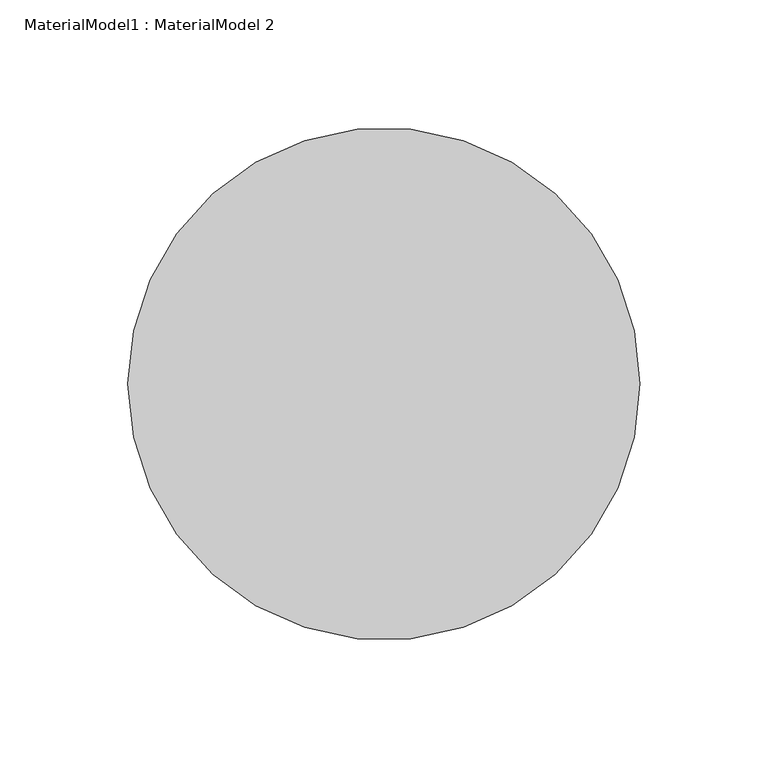
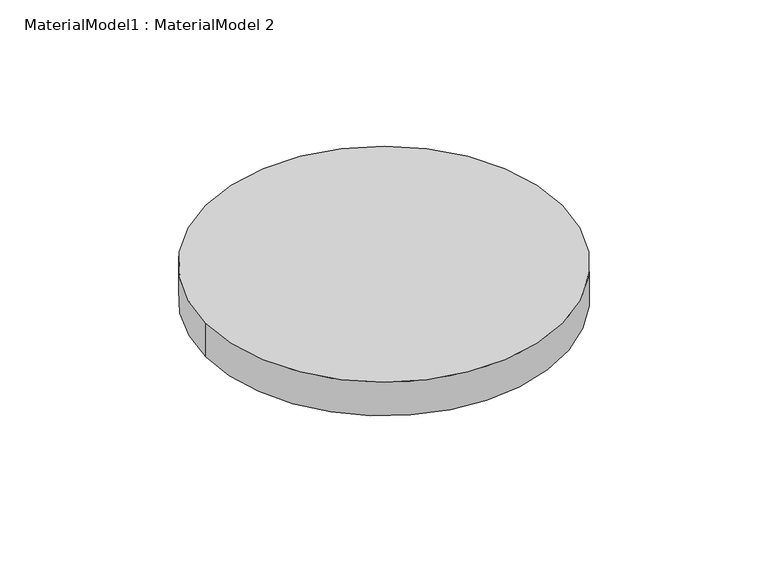
"""IFC4 building model written with IfcOpenShell, lengths in millimetres: proxy geometry, MaterialModel1 : MaterialModel 2."""

import ifcopenshell
import ifcopenshell.guid

model = None  # the IFC model being written
_history = None  # IfcOwnerHistory: only IFC2X3 demands one
_inside = {}  # id of a spatial element -> (the spatial element, [elements in it])
_under = {}  # id of a project, library or spatial element -> (it, [spatial elements below it])
_declared = {}  # id of a project -> (the project, [libraries it declares])
_typed = {}  # id of a type object -> (the type object, [elements of that type])
_made_of = {}  # id of a material, layer set ... -> (it, [elements and type objects made of it])


def new_model(schema):
    """Start an empty IFC model of exactly this schema.

    Asked for "IFC4X3", IfcOpenShell would pick the latest addendum, in which some entities
    have other attributes; the version numbers below select the first issue.
    IFC2X3 requires an IfcOwnerHistory on every rooted entity: one is made here for all.
    """
    global model, _history
    if schema == "IFC4X3":
        model = ifcopenshell.file(schema_version=(4, 3, 0, 0))
    else:
        model = ifcopenshell.file(schema=schema)
    _inside.clear()
    _under.clear()
    _declared.clear()
    _typed.clear()
    _made_of.clear()
    _history = None
    if model.schema == "IFC2X3":
        org = make("IfcOrganization", Name="unknown")
        user = make(
            "IfcPersonAndOrganization",
            ThePerson=make("IfcPerson", FamilyName="unknown"),
            TheOrganization=org,
        )
        app = make(
            "IfcApplication",
            ApplicationDeveloper=org,
            Version="unknown",
            ApplicationFullName="unknown",
            ApplicationIdentifier="unknown",
        )
        _history = make(
            "IfcOwnerHistory",
            OwningUser=user,
            OwningApplication=app,
            ChangeAction="ADDED",
            CreationDate=0,
        )
    return model


def make(cls, **values):
    """One entity of the class cls with the attributes given. An attribute that is None is left unset."""
    return model.create_entity(
        cls, **{name: value for name, value in values.items() if value is not None}
    )


def rooted(cls, **values):
    """An entity with a GlobalId (a new one), such as an element, a storey or a relation."""
    return make(cls, GlobalId=ifcopenshell.guid.new(), OwnerHistory=_history, **values)


def si_unit(unit_type, name, prefix=None):
    """IfcSIUnit, for example si_unit("LENGTHUNIT", "METRE", prefix="MILLI")."""
    return make("IfcSIUnit", UnitType=unit_type, Prefix=prefix, Name=name)


def assignment(units):
    """IfcUnitAssignment: the units of a project."""
    return None if units is None else make("IfcUnitAssignment", Units=units)


def point(xyz):
    """IfcCartesianPoint."""
    return None if xyz is None else make("IfcCartesianPoint", Coordinates=xyz)


def direction(xyz):
    """IfcDirection."""
    return None if xyz is None else make("IfcDirection", DirectionRatios=xyz)


def frame(location, z_axis=None, x_axis=None):
    """IfcAxis2Placement3D, a coordinate frame: its origin and axes. An axis left out is left unset."""
    return make(
        "IfcAxis2Placement3D",
        Location=point(location),
        Axis=direction(z_axis),
        RefDirection=direction(x_axis),
    )


def frame_2d(location, x_axis=None):
    """IfcAxis2Placement2D, a coordinate frame in the plane: its origin and x axis."""
    return make(
        "IfcAxis2Placement2D", Location=point(location), RefDirection=direction(x_axis)
    )


def origin():
    """The frame at (0, 0, 0) with its axes left unset."""
    return frame((0.0, 0.0, 0.0))


def origin_with_axes():
    """The frame at (0, 0, 0) with the z axis (0, 0, 1) and the x axis (1, 0, 0) written out."""
    return frame((0.0, 0.0, 0.0), z_axis=(0.0, 0.0, 1.0), x_axis=(1.0, 0.0, 0.0))


def origin_2d():
    """The frame at (0, 0) in the plane with its x axis left unset."""
    return frame_2d((0.0, 0.0))


def place(relative_to, where):
    """IfcLocalPlacement: puts the frame where relative to a parent placement (None: the world)."""
    return make(
        "IfcLocalPlacement", PlacementRelTo=relative_to, RelativePlacement=where
    )


def context(
    kind, dimensions, precision=None, world=None, true_north=None, identifier=None
):
    """IfcGeometricRepresentationContext, for example the 3D "Model" context."""
    return make(
        "IfcGeometricRepresentationContext",
        ContextIdentifier=identifier,
        ContextType=kind,
        CoordinateSpaceDimension=dimensions,
        Precision=precision,
        WorldCoordinateSystem=world,
        TrueNorth=true_north,
    )


def project(units=None, contexts=None):
    """IfcProject with its units and contexts."""
    return rooted(
        "IfcProject",
        Name="project",
        RepresentationContexts=contexts,
        UnitsInContext=assignment(units),
    )


def spatial(cls, under=None, at=None, **own):
    """A site, building, storey or space (cls), placed at a placement, below another one or the project."""
    s = rooted(cls, ObjectPlacement=at, **own)
    if under is not None:
        _under.setdefault(under.id(), (under, []))[1].append(s)
    return s


def circle_curve(where, radius):
    """IfcCircle in the frame where."""
    return make("IfcCircle", Position=where, Radius=radius)


def trimmed(basis, trim1, trim2, sense, master):
    """IfcTrimmedCurve: the piece of a basis curve between two trims."""
    return make(
        "IfcTrimmedCurve",
        BasisCurve=basis,
        Trim1=trim1,
        Trim2=trim2,
        SenseAgreement=sense,
        MasterRepresentation=master,
    )


def segment(curve, same_sense, transition):
    """IfcCompositeCurveSegment."""
    return make(
        "IfcCompositeCurveSegment",
        Transition=transition,
        SameSense=same_sense,
        ParentCurve=curve,
    )


def composite_curve(segments, self_intersect=None):
    """IfcCompositeCurve: segments joined end to end."""
    return make("IfcCompositeCurve", Segments=segments, SelfIntersect=self_intersect)


def outline(outer, holes=None, kind="AREA"):
    """IfcArbitraryClosedProfileDef: a profile drawn as a closed curve; with holes, ...WithVoids."""
    if holes is None:
        return make("IfcArbitraryClosedProfileDef", ProfileType=kind, OuterCurve=outer)
    return make(
        "IfcArbitraryProfileDefWithVoids",
        ProfileType=kind,
        OuterCurve=outer,
        InnerCurves=holes,
    )


def extrude(swept, where, along, depth):
    """IfcExtrudedAreaSolid: the profile swept, set in the frame where, extruded along a direction by depth."""
    return make(
        "IfcExtrudedAreaSolid",
        SweptArea=swept,
        Position=where,
        ExtrudedDirection=direction(along),
        Depth=depth,
    )


def shape(context_of_items, identifier, shape_type, items):
    """IfcShapeRepresentation: the items that make up one representation, for example the "Body"."""
    return make(
        "IfcShapeRepresentation",
        ContextOfItems=context_of_items,
        RepresentationIdentifier=identifier,
        RepresentationType=shape_type,
        Items=items,
    )


def source(mapping_origin, context_of_items, identifier, shape_type, items):
    """IfcRepresentationMap: a shape defined once, which mapped items show again and again."""
    return make(
        "IfcRepresentationMap",
        MappingOrigin=mapping_origin,
        MappedRepresentation=shape(context_of_items, identifier, shape_type, items),
    )


def transform(
    local_origin,
    x_axis=None,
    y_axis=None,
    z_axis=None,
    scale=None,
    scale2=None,
    scale3=None,
    uniform=True,
):
    """IfcCartesianTransformationOperator3D, or its non-uniform kind. x_axis, y_axis, z_axis: its Axis1, 2, 3."""
    if uniform:
        return make(
            "IfcCartesianTransformationOperator3D",
            Axis1=direction(x_axis),
            Axis2=direction(y_axis),
            LocalOrigin=point(local_origin),
            Scale=scale,
            Axis3=direction(z_axis),
        )
    return make(
        "IfcCartesianTransformationOperator3DnonUniform",
        Axis1=direction(x_axis),
        Axis2=direction(y_axis),
        LocalOrigin=point(local_origin),
        Scale=scale,
        Axis3=direction(z_axis),
        Scale2=scale2,
        Scale3=scale3,
    )


def mapped(mapping_source, mapping_target):
    """IfcMappedItem: shows the shape of a source again, moved by a transform."""
    return make(
        "IfcMappedItem", MappingSource=mapping_source, MappingTarget=mapping_target
    )


def made_of(thing, what):
    """Note that an element or type object is made of a material, layer set ...; save() writes the relation."""
    if what is not None:
        _made_of.setdefault(what.id(), (what, []))[1].append(thing)
    return thing


def element(
    cls,
    number,
    at=None,
    inside=None,
    cuts=None,
    type_object=None,
    material=None,
    context=None,
    identifier="Body",
    shape_type=None,
    held_by="IfcProductDefinitionShape",
    body=None,
    shapes=None,
    **own,
):
    """One element of the class cls, such as IfcWall. Its Tag is "e" and its number.

    at: its placement. inside: the storey or other place that contains it. cuts: it is an
    opening in that element (IfcRelVoidsElement). A single representation is given by context,
    identifier, shape_type and body (its items); several are given by shapes. held_by: the class
    of the entity that holds the representations. save() writes the other relations.
    """
    e = rooted(cls, Tag="e%d" % number, ObjectPlacement=at, **own)
    if body is not None:
        shapes = [shape(context, identifier, shape_type, body)]
    if shapes is not None:
        e.Representation = make(held_by, Representations=shapes)
    if inside is not None:
        _inside.setdefault(inside.id(), (inside, []))[1].append(e)
    if cuts is not None:
        rooted(
            "IfcRelVoidsElement", RelatingBuildingElement=cuts, RelatedOpeningElement=e
        )
    if type_object is not None:
        _typed.setdefault(type_object.id(), (type_object, []))[1].append(e)
    return made_of(e, material)


def aggregate(whole, parts):
    """IfcRelAggregates: a whole, such as a stair, and the parts it consists of."""
    return rooted("IfcRelAggregates", RelatingObject=whole, RelatedObjects=parts)


def save(model, path):
    """Write the relations noted so far, then the file.

    IfcRelAggregates (storeys below a building ...), IfcRelContainedInSpatialStructure (elements
    in a storey), IfcRelDefinesByType, IfcRelAssociatesMaterial and IfcRelDeclares: one each for
    every whole, place, type object, material and project.
    """
    for whole, parts in _under.values():
        aggregate(whole, parts)
    for where, things in _inside.values():
        rooted(
            "IfcRelContainedInSpatialStructure",
            RelatedElements=things,
            RelatingStructure=where,
        )
    for kind, things in _typed.values():
        rooted("IfcRelDefinesByType", RelatedObjects=things, RelatingType=kind)
    for what, things in _made_of.values():
        rooted("IfcRelAssociatesMaterial", RelatedObjects=things, RelatingMaterial=what)
    for by, libraries in _declared.values():
        rooted("IfcRelDeclares", RelatingContext=by, RelatedDefinitions=libraries)
    model.write(path)


def materialmodel1_materialmodel_2_ac00f72a(model_context):
    return source(origin(), model_context, "Body", "SweptSolid", [
        extrude(outline(composite_curve([segment(trimmed(circle_curve(origin_2d(), 100.0), [point((-100.0, 0.0))], [point((100.0, 0.0))], False, "CARTESIAN"), True, "CONTINUOUS"), segment(trimmed(circle_curve(origin_2d(), 100.0), [point((100.0, 0.0))], [point((-100.0, 0.0))], False, "CARTESIAN"), True, "CONTINUOUS")], self_intersect=False)), origin_with_axes(), (0.0, 0.0, 1.0), 20.0),
    ])


if __name__ == "__main__":
    model = new_model("IFC4")
    model_context = context("Model", 3, world=origin())
    ifc_project = project(units=[si_unit("LENGTHUNIT", "METRE", prefix="MILLI")], contexts=[model_context])
    site = spatial("IfcSite", under=ifc_project)
    building = spatial("IfcBuilding", under=site)
    placement = place(None, origin())
    materialmodel1_materialmodel_2_shape = materialmodel1_materialmodel_2_ac00f72a(model_context)
    element("IfcBuildingElementProxy", 1, Name="MaterialModel1 : MaterialModel 2", ObjectType="MaterialModel1 : MaterialModel 2", at=placement, inside=building, context=model_context, shape_type="MappedRepresentation", body=[
        mapped(materialmodel1_materialmodel_2_shape, transform((0.0, 0.0, 0.0), x_axis=(1.0, 0.0, 0.0), y_axis=(0.0, 1.0, 0.0), z_axis=(0.0, 0.0, 1.0))),
    ])
    save(model, "model.ifc")
